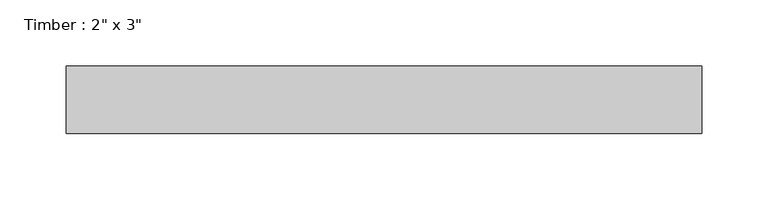
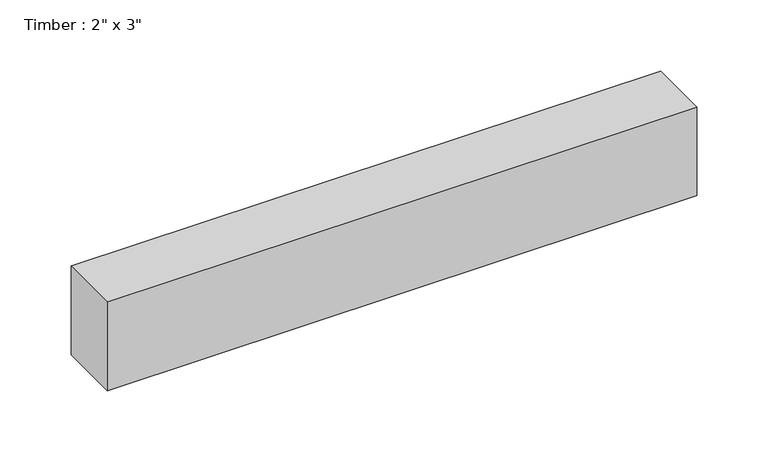
"""IFC4 building model written with IfcOpenShell, lengths in millimetres: beam geometry."""

from ifc_helpers import new_model, si_unit, frame, origin, place, context, project, spatial, polyline, outline, extrude, source, transform, mapped, element, save


def beam_c8d3c3ec(model_context):
    return source(origin(), model_context, "Body", "SweptSolid", [
        extrude(outline(polyline([(239.2924098, -25.4), (-239.2924098, -25.4), (-239.2924098, 25.4), (239.2924098, 25.4), (239.2924098, -25.4)])), frame((0.0, 0.0, -38.1), z_axis=(0.0, 0.0, 1.0), x_axis=(1.0, 0.0, 0.0)), (0.0, 0.0, 1.0), 76.2),
    ])


if __name__ == "__main__":
    model = new_model("IFC4")
    model_context = context("Model", 3, world=origin())
    ifc_project = project(units=[si_unit("LENGTHUNIT", "METRE", prefix="MILLI")], contexts=[model_context])
    site = spatial("IfcSite", under=ifc_project)
    building = spatial("IfcBuilding", under=site)
    placement = place(None, origin())
    beam_shape = beam_c8d3c3ec(model_context)
    element("IfcBeam", 1, ObjectType="Timber : 2\" x 3\"", at=placement, inside=building, context=model_context, shape_type="MappedRepresentation", body=[
        mapped(beam_shape, transform((0.0, 0.0, 0.0), x_axis=(1.0, 0.0, 0.0), y_axis=(0.0, 1.0, 0.0), z_axis=(0.0, 0.0, 1.0))),
    ])
    save(model, "model.ifc")
